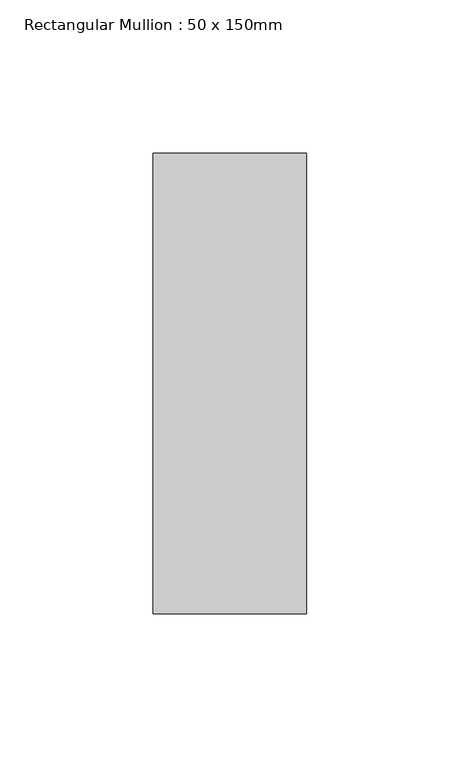
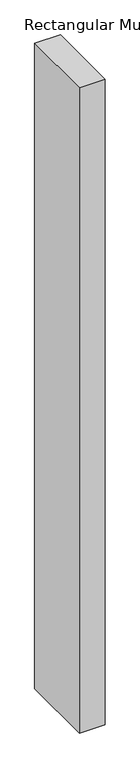
"""IFC4 building model written with IfcOpenShell, lengths in millimetres: member geometry, Rectangular Mullion : 50 x 150mm."""

from ifc_helpers import new_model, si_unit, frame, origin, place, context, project, spatial, polyline, outline, extrude, source, transform, mapped, element, save


def rectangular_mullion_50_x_150mm_ee1846bd(model_context):
    return source(origin(), model_context, "Body", "SweptSolid", [
        extrude(outline(polyline([(0.0, 75.0), (0.0, -75.0), (-50.0, -75.0), (-50.0, 75.0), (0.0, 75.0)])), frame((0.0, 0.0, -1325.0), z_axis=(0.0, 0.0, 1.0), x_axis=(1.0, 0.0, 0.0)), (0.0, 0.0, 1.0), 1325.0),
    ])


if __name__ == "__main__":
    model = new_model("IFC4")
    model_context = context("Model", 3, world=origin())
    ifc_project = project(units=[si_unit("LENGTHUNIT", "METRE", prefix="MILLI")], contexts=[model_context])
    site = spatial("IfcSite", under=ifc_project)
    building = spatial("IfcBuilding", under=site)
    placement = place(None, origin())
    rectangular_mullion_50_x_150mm_shape = rectangular_mullion_50_x_150mm_ee1846bd(model_context)
    element("IfcMember", 1, ObjectType="Rectangular Mullion : 50 x 150mm", at=placement, inside=building, context=model_context, shape_type="MappedRepresentation", body=[
        mapped(rectangular_mullion_50_x_150mm_shape, transform((0.0, 0.0, 0.0), x_axis=(1.0, 0.0, 0.0), y_axis=(0.0, 1.0, 0.0), z_axis=(0.0, 0.0, 1.0))),
    ])
    save(model, "model.ifc")
